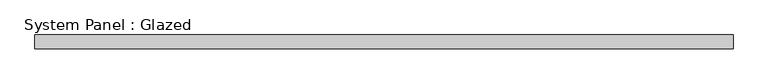
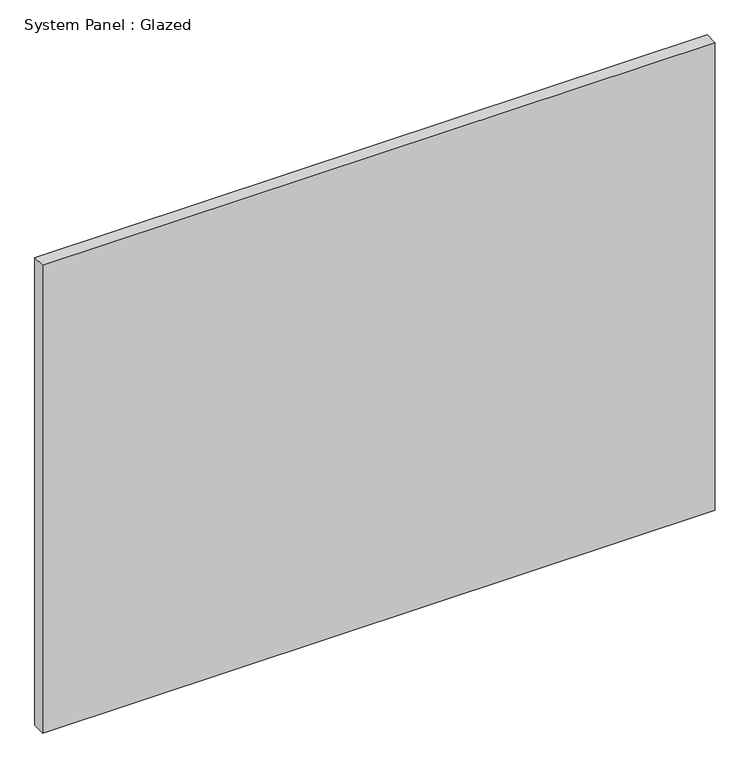
"""IFC4 building model written with IfcOpenShell, lengths in millimetres: plate geometry, System Panel : Glazed."""

from ifc_helpers import new_model, si_unit, origin, origin_with_axes, place, context, project, spatial, polyline, outline, extrude, source, transform, mapped, element, save


def system_panel_glazed_67a98bd3(model_context):
    return source(origin(), model_context, "Body", "SweptSolid", [
        extrude(outline(polyline([(629.1666668, 24.5), (-629.1666668, 24.5), (-629.1666668, 49.5), (629.1666668, 49.5), (629.1666668, 24.5)])), origin_with_axes(), (0.0, 0.0, 1.0), 925.0),
    ])


if __name__ == "__main__":
    model = new_model("IFC4")
    model_context = context("Model", 3, world=origin())
    ifc_project = project(units=[si_unit("LENGTHUNIT", "METRE", prefix="MILLI")], contexts=[model_context])
    site = spatial("IfcSite", under=ifc_project)
    building = spatial("IfcBuilding", under=site)
    placement = place(None, origin())
    system_panel_glazed_shape = system_panel_glazed_67a98bd3(model_context)
    element("IfcPlate", 1, ObjectType="System Panel : Glazed", at=placement, inside=building, context=model_context, shape_type="MappedRepresentation", body=[
        mapped(system_panel_glazed_shape, transform((0.0, 0.0, 0.0), x_axis=(1.0, 0.0, 0.0), y_axis=(0.0, 1.0, 0.0), z_axis=(0.0, 0.0, 1.0))),
    ])
    save(model, "model.ifc")
